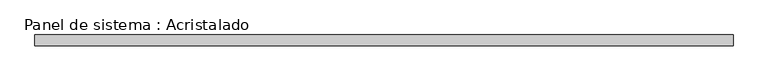
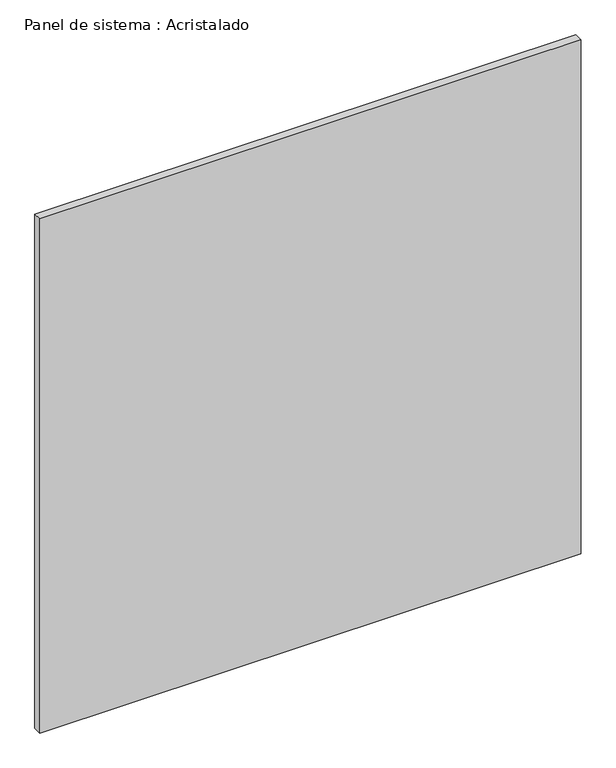
"""IFC4 building model written with IfcOpenShell, lengths in millimetres: plate geometry, Panel de sistema : Acristalado."""

import ifcopenshell
import ifcopenshell.guid

model = None  # the IFC model being written
_history = None  # IfcOwnerHistory: only IFC2X3 demands one
_inside = {}  # id of a spatial element -> (the spatial element, [elements in it])
_under = {}  # id of a project, library or spatial element -> (it, [spatial elements below it])
_declared = {}  # id of a project -> (the project, [libraries it declares])
_typed = {}  # id of a type object -> (the type object, [elements of that type])
_made_of = {}  # id of a material, layer set ... -> (it, [elements and type objects made of it])


def new_model(schema):
    """Start an empty IFC model of exactly this schema.

    Asked for "IFC4X3", IfcOpenShell would pick the latest addendum, in which some entities
    have other attributes; the version numbers below select the first issue.
    IFC2X3 requires an IfcOwnerHistory on every rooted entity: one is made here for all.
    """
    global model, _history
    if schema == "IFC4X3":
        model = ifcopenshell.file(schema_version=(4, 3, 0, 0))
    else:
        model = ifcopenshell.file(schema=schema)
    _inside.clear()
    _under.clear()
    _declared.clear()
    _typed.clear()
    _made_of.clear()
    _history = None
    if model.schema == "IFC2X3":
        org = make("IfcOrganization", Name="unknown")
        user = make(
            "IfcPersonAndOrganization",
            ThePerson=make("IfcPerson", FamilyName="unknown"),
            TheOrganization=org,
        )
        app = make(
            "IfcApplication",
            ApplicationDeveloper=org,
            Version="unknown",
            ApplicationFullName="unknown",
            ApplicationIdentifier="unknown",
        )
        _history = make(
            "IfcOwnerHistory",
            OwningUser=user,
            OwningApplication=app,
            ChangeAction="ADDED",
            CreationDate=0,
        )
    return model


def make(cls, **values):
    """One entity of the class cls with the attributes given. An attribute that is None is left unset."""
    return model.create_entity(
        cls, **{name: value for name, value in values.items() if value is not None}
    )


def rooted(cls, **values):
    """An entity with a GlobalId (a new one), such as an element, a storey or a relation."""
    return make(cls, GlobalId=ifcopenshell.guid.new(), OwnerHistory=_history, **values)


def si_unit(unit_type, name, prefix=None):
    """IfcSIUnit, for example si_unit("LENGTHUNIT", "METRE", prefix="MILLI")."""
    return make("IfcSIUnit", UnitType=unit_type, Prefix=prefix, Name=name)


def assignment(units):
    """IfcUnitAssignment: the units of a project."""
    return None if units is None else make("IfcUnitAssignment", Units=units)


def point(xyz):
    """IfcCartesianPoint."""
    return None if xyz is None else make("IfcCartesianPoint", Coordinates=xyz)


def direction(xyz):
    """IfcDirection."""
    return None if xyz is None else make("IfcDirection", DirectionRatios=xyz)


def frame(location, z_axis=None, x_axis=None):
    """IfcAxis2Placement3D, a coordinate frame: its origin and axes. An axis left out is left unset."""
    return make(
        "IfcAxis2Placement3D",
        Location=point(location),
        Axis=direction(z_axis),
        RefDirection=direction(x_axis),
    )


def origin():
    """The frame at (0, 0, 0) with its axes left unset."""
    return frame((0.0, 0.0, 0.0))


def origin_with_axes():
    """The frame at (0, 0, 0) with the z axis (0, 0, 1) and the x axis (1, 0, 0) written out."""
    return frame((0.0, 0.0, 0.0), z_axis=(0.0, 0.0, 1.0), x_axis=(1.0, 0.0, 0.0))


def place(relative_to, where):
    """IfcLocalPlacement: puts the frame where relative to a parent placement (None: the world)."""
    return make(
        "IfcLocalPlacement", PlacementRelTo=relative_to, RelativePlacement=where
    )


def context(
    kind, dimensions, precision=None, world=None, true_north=None, identifier=None
):
    """IfcGeometricRepresentationContext, for example the 3D "Model" context."""
    return make(
        "IfcGeometricRepresentationContext",
        ContextIdentifier=identifier,
        ContextType=kind,
        CoordinateSpaceDimension=dimensions,
        Precision=precision,
        WorldCoordinateSystem=world,
        TrueNorth=true_north,
    )


def project(units=None, contexts=None):
    """IfcProject with its units and contexts."""
    return rooted(
        "IfcProject",
        Name="project",
        RepresentationContexts=contexts,
        UnitsInContext=assignment(units),
    )


def spatial(cls, under=None, at=None, **own):
    """A site, building, storey or space (cls), placed at a placement, below another one or the project."""
    s = rooted(cls, ObjectPlacement=at, **own)
    if under is not None:
        _under.setdefault(under.id(), (under, []))[1].append(s)
    return s


def polyline(points):
    """IfcPolyline through the points."""
    return make("IfcPolyline", Points=[point(p) for p in points])


def outline(outer, holes=None, kind="AREA"):
    """IfcArbitraryClosedProfileDef: a profile drawn as a closed curve; with holes, ...WithVoids."""
    if holes is None:
        return make("IfcArbitraryClosedProfileDef", ProfileType=kind, OuterCurve=outer)
    return make(
        "IfcArbitraryProfileDefWithVoids",
        ProfileType=kind,
        OuterCurve=outer,
        InnerCurves=holes,
    )


def extrude(swept, where, along, depth):
    """IfcExtrudedAreaSolid: the profile swept, set in the frame where, extruded along a direction by depth."""
    return make(
        "IfcExtrudedAreaSolid",
        SweptArea=swept,
        Position=where,
        ExtrudedDirection=direction(along),
        Depth=depth,
    )


def shape(context_of_items, identifier, shape_type, items):
    """IfcShapeRepresentation: the items that make up one representation, for example the "Body"."""
    return make(
        "IfcShapeRepresentation",
        ContextOfItems=context_of_items,
        RepresentationIdentifier=identifier,
        RepresentationType=shape_type,
        Items=items,
    )


def source(mapping_origin, context_of_items, identifier, shape_type, items):
    """IfcRepresentationMap: a shape defined once, which mapped items show again and again."""
    return make(
        "IfcRepresentationMap",
        MappingOrigin=mapping_origin,
        MappedRepresentation=shape(context_of_items, identifier, shape_type, items),
    )


def transform(
    local_origin,
    x_axis=None,
    y_axis=None,
    z_axis=None,
    scale=None,
    scale2=None,
    scale3=None,
    uniform=True,
):
    """IfcCartesianTransformationOperator3D, or its non-uniform kind. x_axis, y_axis, z_axis: its Axis1, 2, 3."""
    if uniform:
        return make(
            "IfcCartesianTransformationOperator3D",
            Axis1=direction(x_axis),
            Axis2=direction(y_axis),
            LocalOrigin=point(local_origin),
            Scale=scale,
            Axis3=direction(z_axis),
        )
    return make(
        "IfcCartesianTransformationOperator3DnonUniform",
        Axis1=direction(x_axis),
        Axis2=direction(y_axis),
        LocalOrigin=point(local_origin),
        Scale=scale,
        Axis3=direction(z_axis),
        Scale2=scale2,
        Scale3=scale3,
    )


def mapped(mapping_source, mapping_target):
    """IfcMappedItem: shows the shape of a source again, moved by a transform."""
    return make(
        "IfcMappedItem", MappingSource=mapping_source, MappingTarget=mapping_target
    )


def made_of(thing, what):
    """Note that an element or type object is made of a material, layer set ...; save() writes the relation."""
    if what is not None:
        _made_of.setdefault(what.id(), (what, []))[1].append(thing)
    return thing


def element(
    cls,
    number,
    at=None,
    inside=None,
    cuts=None,
    type_object=None,
    material=None,
    context=None,
    identifier="Body",
    shape_type=None,
    held_by="IfcProductDefinitionShape",
    body=None,
    shapes=None,
    **own,
):
    """One element of the class cls, such as IfcWall. Its Tag is "e" and its number.

    at: its placement. inside: the storey or other place that contains it. cuts: it is an
    opening in that element (IfcRelVoidsElement). A single representation is given by context,
    identifier, shape_type and body (its items); several are given by shapes. held_by: the class
    of the entity that holds the representations. save() writes the other relations.
    """
    e = rooted(cls, Tag="e%d" % number, ObjectPlacement=at, **own)
    if body is not None:
        shapes = [shape(context, identifier, shape_type, body)]
    if shapes is not None:
        e.Representation = make(held_by, Representations=shapes)
    if inside is not None:
        _inside.setdefault(inside.id(), (inside, []))[1].append(e)
    if cuts is not None:
        rooted(
            "IfcRelVoidsElement", RelatingBuildingElement=cuts, RelatedOpeningElement=e
        )
    if type_object is not None:
        _typed.setdefault(type_object.id(), (type_object, []))[1].append(e)
    return made_of(e, material)


def aggregate(whole, parts):
    """IfcRelAggregates: a whole, such as a stair, and the parts it consists of."""
    return rooted("IfcRelAggregates", RelatingObject=whole, RelatedObjects=parts)


def save(model, path):
    """Write the relations noted so far, then the file.

    IfcRelAggregates (storeys below a building ...), IfcRelContainedInSpatialStructure (elements
    in a storey), IfcRelDefinesByType, IfcRelAssociatesMaterial and IfcRelDeclares: one each for
    every whole, place, type object, material and project.
    """
    for whole, parts in _under.values():
        aggregate(whole, parts)
    for where, things in _inside.values():
        rooted(
            "IfcRelContainedInSpatialStructure",
            RelatedElements=things,
            RelatingStructure=where,
        )
    for kind, things in _typed.values():
        rooted("IfcRelDefinesByType", RelatedObjects=things, RelatingType=kind)
    for what, things in _made_of.values():
        rooted("IfcRelAssociatesMaterial", RelatedObjects=things, RelatingMaterial=what)
    for by, libraries in _declared.values():
        rooted("IfcRelDeclares", RelatingContext=by, RelatedDefinitions=libraries)
    model.write(path)


def panel_de_sistema_acristalado_0da4be1d(model_context):
    return source(origin(), model_context, "Body", "SweptSolid", [
        extrude(outline(polyline([(647.5, -10.0), (-647.5, -10.0), (-647.5, 10.0), (647.5, 10.0), (647.5, -10.0)])), origin_with_axes(), (0.0, 0.0, 1.0), 1300.0),
    ])


if __name__ == "__main__":
    model = new_model("IFC4")
    model_context = context("Model", 3, world=origin())
    ifc_project = project(units=[si_unit("LENGTHUNIT", "METRE", prefix="MILLI")], contexts=[model_context])
    site = spatial("IfcSite", under=ifc_project)
    building = spatial("IfcBuilding", under=site)
    placement = place(None, origin())
    panel_de_sistema_acristalado_shape = panel_de_sistema_acristalado_0da4be1d(model_context)
    element("IfcPlate", 1, ObjectType="Panel de sistema : Acristalado", at=placement, inside=building, context=model_context, shape_type="MappedRepresentation", body=[
        mapped(panel_de_sistema_acristalado_shape, transform((0.0, 0.0, 0.0), x_axis=(1.0, 0.0, 0.0), y_axis=(0.0, 1.0, 0.0), z_axis=(0.0, 0.0, 1.0))),
    ])
    save(model, "model.ifc")
